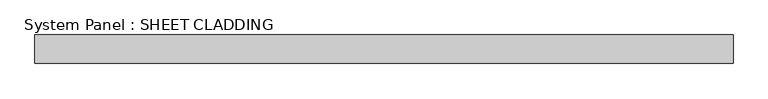
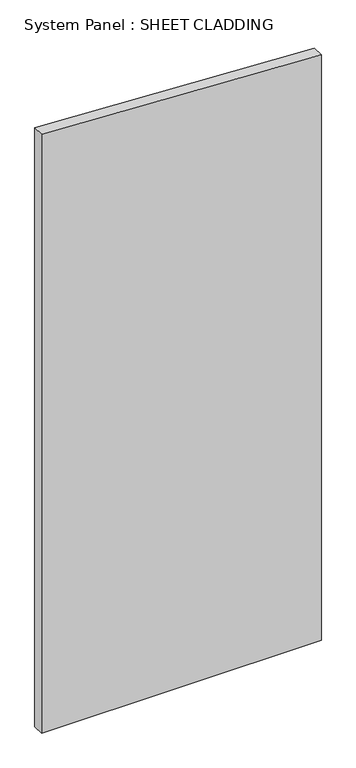
"""IFC4 building model written with IfcOpenShell, lengths in millimetres: plate geometry, System Panel : SHEET CLADDING."""

import ifcopenshell
import ifcopenshell.guid

model = None  # the IFC model being written
_history = None  # IfcOwnerHistory: only IFC2X3 demands one
_inside = {}  # id of a spatial element -> (the spatial element, [elements in it])
_under = {}  # id of a project, library or spatial element -> (it, [spatial elements below it])
_declared = {}  # id of a project -> (the project, [libraries it declares])
_typed = {}  # id of a type object -> (the type object, [elements of that type])
_made_of = {}  # id of a material, layer set ... -> (it, [elements and type objects made of it])


def new_model(schema):
    """Start an empty IFC model of exactly this schema.

    Asked for "IFC4X3", IfcOpenShell would pick the latest addendum, in which some entities
    have other attributes; the version numbers below select the first issue.
    IFC2X3 requires an IfcOwnerHistory on every rooted entity: one is made here for all.
    """
    global model, _history
    if schema == "IFC4X3":
        model = ifcopenshell.file(schema_version=(4, 3, 0, 0))
    else:
        model = ifcopenshell.file(schema=schema)
    _inside.clear()
    _under.clear()
    _declared.clear()
    _typed.clear()
    _made_of.clear()
    _history = None
    if model.schema == "IFC2X3":
        org = make("IfcOrganization", Name="unknown")
        user = make(
            "IfcPersonAndOrganization",
            ThePerson=make("IfcPerson", FamilyName="unknown"),
            TheOrganization=org,
        )
        app = make(
            "IfcApplication",
            ApplicationDeveloper=org,
            Version="unknown",
            ApplicationFullName="unknown",
            ApplicationIdentifier="unknown",
        )
        _history = make(
            "IfcOwnerHistory",
            OwningUser=user,
            OwningApplication=app,
            ChangeAction="ADDED",
            CreationDate=0,
        )
    return model


def make(cls, **values):
    """One entity of the class cls with the attributes given. An attribute that is None is left unset."""
    return model.create_entity(
        cls, **{name: value for name, value in values.items() if value is not None}
    )


def rooted(cls, **values):
    """An entity with a GlobalId (a new one), such as an element, a storey or a relation."""
    return make(cls, GlobalId=ifcopenshell.guid.new(), OwnerHistory=_history, **values)


def si_unit(unit_type, name, prefix=None):
    """IfcSIUnit, for example si_unit("LENGTHUNIT", "METRE", prefix="MILLI")."""
    return make("IfcSIUnit", UnitType=unit_type, Prefix=prefix, Name=name)


def assignment(units):
    """IfcUnitAssignment: the units of a project."""
    return None if units is None else make("IfcUnitAssignment", Units=units)


def point(xyz):
    """IfcCartesianPoint."""
    return None if xyz is None else make("IfcCartesianPoint", Coordinates=xyz)


def direction(xyz):
    """IfcDirection."""
    return None if xyz is None else make("IfcDirection", DirectionRatios=xyz)


def frame(location, z_axis=None, x_axis=None):
    """IfcAxis2Placement3D, a coordinate frame: its origin and axes. An axis left out is left unset."""
    return make(
        "IfcAxis2Placement3D",
        Location=point(location),
        Axis=direction(z_axis),
        RefDirection=direction(x_axis),
    )


def origin():
    """The frame at (0, 0, 0) with its axes left unset."""
    return frame((0.0, 0.0, 0.0))


def place(relative_to, where):
    """IfcLocalPlacement: puts the frame where relative to a parent placement (None: the world)."""
    return make(
        "IfcLocalPlacement", PlacementRelTo=relative_to, RelativePlacement=where
    )


def context(
    kind, dimensions, precision=None, world=None, true_north=None, identifier=None
):
    """IfcGeometricRepresentationContext, for example the 3D "Model" context."""
    return make(
        "IfcGeometricRepresentationContext",
        ContextIdentifier=identifier,
        ContextType=kind,
        CoordinateSpaceDimension=dimensions,
        Precision=precision,
        WorldCoordinateSystem=world,
        TrueNorth=true_north,
    )


def project(units=None, contexts=None):
    """IfcProject with its units and contexts."""
    return rooted(
        "IfcProject",
        Name="project",
        RepresentationContexts=contexts,
        UnitsInContext=assignment(units),
    )


def spatial(cls, under=None, at=None, **own):
    """A site, building, storey or space (cls), placed at a placement, below another one or the project."""
    s = rooted(cls, ObjectPlacement=at, **own)
    if under is not None:
        _under.setdefault(under.id(), (under, []))[1].append(s)
    return s


def polyline(points):
    """IfcPolyline through the points."""
    return make("IfcPolyline", Points=[point(p) for p in points])


def outline(outer, holes=None, kind="AREA"):
    """IfcArbitraryClosedProfileDef: a profile drawn as a closed curve; with holes, ...WithVoids."""
    if holes is None:
        return make("IfcArbitraryClosedProfileDef", ProfileType=kind, OuterCurve=outer)
    return make(
        "IfcArbitraryProfileDefWithVoids",
        ProfileType=kind,
        OuterCurve=outer,
        InnerCurves=holes,
    )


def extrude(swept, where, along, depth):
    """IfcExtrudedAreaSolid: the profile swept, set in the frame where, extruded along a direction by depth."""
    return make(
        "IfcExtrudedAreaSolid",
        SweptArea=swept,
        Position=where,
        ExtrudedDirection=direction(along),
        Depth=depth,
    )


def shape(context_of_items, identifier, shape_type, items):
    """IfcShapeRepresentation: the items that make up one representation, for example the "Body"."""
    return make(
        "IfcShapeRepresentation",
        ContextOfItems=context_of_items,
        RepresentationIdentifier=identifier,
        RepresentationType=shape_type,
        Items=items,
    )


def source(mapping_origin, context_of_items, identifier, shape_type, items):
    """IfcRepresentationMap: a shape defined once, which mapped items show again and again."""
    return make(
        "IfcRepresentationMap",
        MappingOrigin=mapping_origin,
        MappedRepresentation=shape(context_of_items, identifier, shape_type, items),
    )


def transform(
    local_origin,
    x_axis=None,
    y_axis=None,
    z_axis=None,
    scale=None,
    scale2=None,
    scale3=None,
    uniform=True,
):
    """IfcCartesianTransformationOperator3D, or its non-uniform kind. x_axis, y_axis, z_axis: its Axis1, 2, 3."""
    if uniform:
        return make(
            "IfcCartesianTransformationOperator3D",
            Axis1=direction(x_axis),
            Axis2=direction(y_axis),
            LocalOrigin=point(local_origin),
            Scale=scale,
            Axis3=direction(z_axis),
        )
    return make(
        "IfcCartesianTransformationOperator3DnonUniform",
        Axis1=direction(x_axis),
        Axis2=direction(y_axis),
        LocalOrigin=point(local_origin),
        Scale=scale,
        Axis3=direction(z_axis),
        Scale2=scale2,
        Scale3=scale3,
    )


def mapped(mapping_source, mapping_target):
    """IfcMappedItem: shows the shape of a source again, moved by a transform."""
    return make(
        "IfcMappedItem", MappingSource=mapping_source, MappingTarget=mapping_target
    )


def made_of(thing, what):
    """Note that an element or type object is made of a material, layer set ...; save() writes the relation."""
    if what is not None:
        _made_of.setdefault(what.id(), (what, []))[1].append(thing)
    return thing


def element(
    cls,
    number,
    at=None,
    inside=None,
    cuts=None,
    type_object=None,
    material=None,
    context=None,
    identifier="Body",
    shape_type=None,
    held_by="IfcProductDefinitionShape",
    body=None,
    shapes=None,
    **own,
):
    """One element of the class cls, such as IfcWall. Its Tag is "e" and its number.

    at: its placement. inside: the storey or other place that contains it. cuts: it is an
    opening in that element (IfcRelVoidsElement). A single representation is given by context,
    identifier, shape_type and body (its items); several are given by shapes. held_by: the class
    of the entity that holds the representations. save() writes the other relations.
    """
    e = rooted(cls, Tag="e%d" % number, ObjectPlacement=at, **own)
    if body is not None:
        shapes = [shape(context, identifier, shape_type, body)]
    if shapes is not None:
        e.Representation = make(held_by, Representations=shapes)
    if inside is not None:
        _inside.setdefault(inside.id(), (inside, []))[1].append(e)
    if cuts is not None:
        rooted(
            "IfcRelVoidsElement", RelatingBuildingElement=cuts, RelatedOpeningElement=e
        )
    if type_object is not None:
        _typed.setdefault(type_object.id(), (type_object, []))[1].append(e)
    return made_of(e, material)


def aggregate(whole, parts):
    """IfcRelAggregates: a whole, such as a stair, and the parts it consists of."""
    return rooted("IfcRelAggregates", RelatingObject=whole, RelatedObjects=parts)


def save(model, path):
    """Write the relations noted so far, then the file.

    IfcRelAggregates (storeys below a building ...), IfcRelContainedInSpatialStructure (elements
    in a storey), IfcRelDefinesByType, IfcRelAssociatesMaterial and IfcRelDeclares: one each for
    every whole, place, type object, material and project.
    """
    for whole, parts in _under.values():
        aggregate(whole, parts)
    for where, things in _inside.values():
        rooted(
            "IfcRelContainedInSpatialStructure",
            RelatedElements=things,
            RelatingStructure=where,
        )
    for kind, things in _typed.values():
        rooted("IfcRelDefinesByType", RelatedObjects=things, RelatingType=kind)
    for what, things in _made_of.values():
        rooted("IfcRelAssociatesMaterial", RelatedObjects=things, RelatingMaterial=what)
    for by, libraries in _declared.values():
        rooted("IfcRelDeclares", RelatingContext=by, RelatedDefinitions=libraries)
    model.write(path)


def system_panel_sheet_cladding_f024e9ed(model_context):
    return source(origin(), model_context, "Body", "SweptSolid", [
        extrude(outline(polyline([(0.0, -735.4591837), (0.0, 735.4591837), (3251.9877551, 735.4591837), (3325.5336735, -735.4591837), (0.0, -735.4591837)])), frame((0.0, -10.5, 0.0), z_axis=(0.0, 1.0, 0.0), x_axis=(0.0, 0.0, 1.0)), (0.0, 0.0, 1.0), 60.0),
    ])


if __name__ == "__main__":
    model = new_model("IFC4")
    model_context = context("Model", 3, world=origin())
    ifc_project = project(units=[si_unit("LENGTHUNIT", "METRE", prefix="MILLI")], contexts=[model_context])
    site = spatial("IfcSite", under=ifc_project)
    building = spatial("IfcBuilding", under=site)
    placement = place(None, origin())
    system_panel_sheet_cladding_shape = system_panel_sheet_cladding_f024e9ed(model_context)
    element("IfcPlate", 1, ObjectType="System Panel : SHEET CLADDING", at=placement, inside=building, context=model_context, shape_type="MappedRepresentation", body=[
        mapped(system_panel_sheet_cladding_shape, transform((0.0, 0.0, 0.0), x_axis=(1.0, 0.0, 0.0), y_axis=(0.0, 1.0, 0.0), z_axis=(0.0, 0.0, 1.0))),
    ])
    save(model, "model.ifc")
